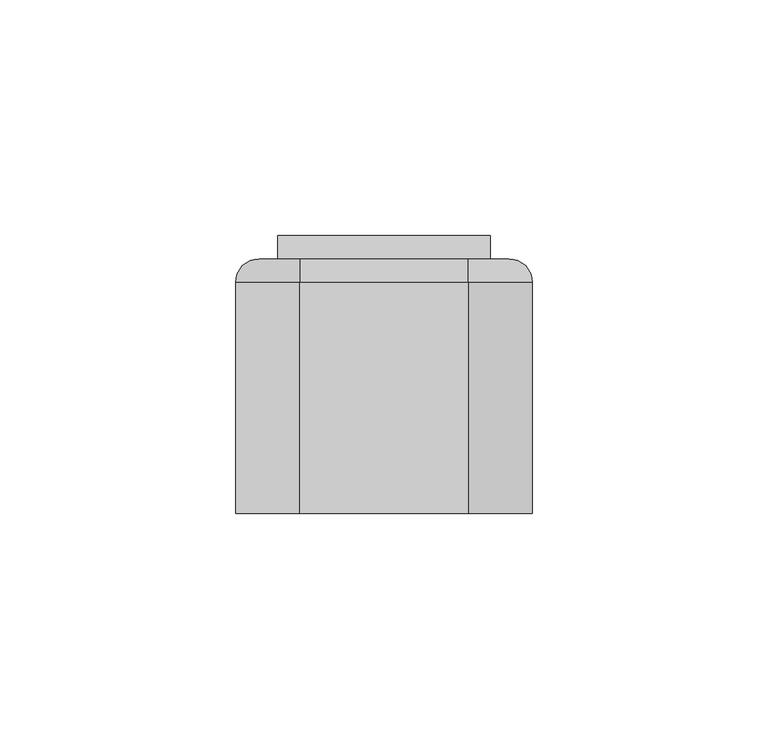
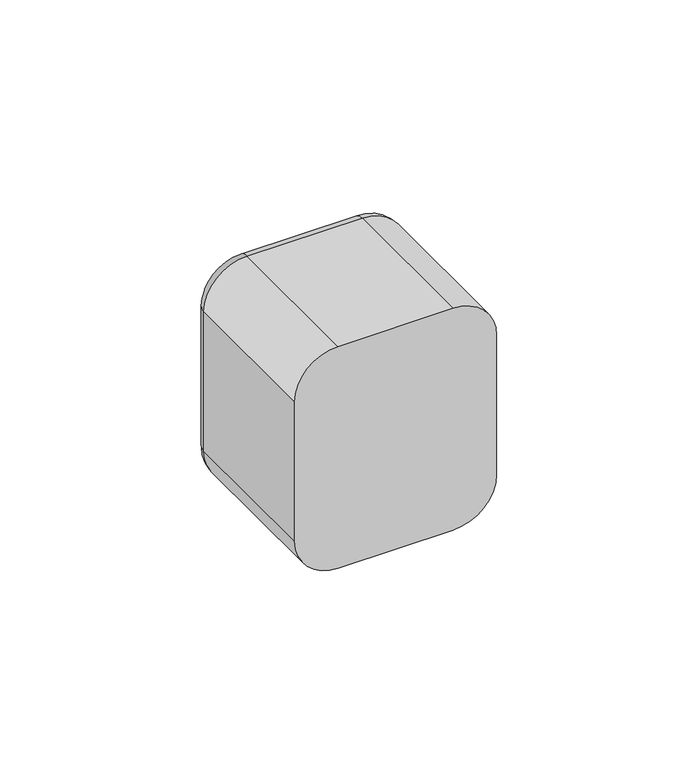
"""IFC4 building model written with IfcOpenShell, lengths in millimetres: switching device geometry."""

from ifc_helpers import new_model, si_unit, point, frame, origin, place, context, project, spatial, polyline, circle_curve, ellipse_curve, trimmed, outline, extrude, source, transform, mapped, element, save
from ifc_brep_helpers import plane_surface, cylinder_surface, revolved_surface, advanced_brep


def switching_device_f6c6d3f5(model_context):
    return source(origin(), model_context, "Body", "SolidModel", [
        advanced_brep(
        [(17.9328665, 54.0, 31.5), (26.5, 54.0, 22.9328665), (26.5, 54.0, -22.9328665), (17.9328665, 54.0, -31.5), (-17.9328665, 54.0, -31.5), (-26.5, 54.0, -22.9328665), (-26.5, 54.0, 22.9328665), (-17.9328665, 54.0, 31.5), (22.5, 54.0, 22.5), (-22.5, 54.0, 22.5), (-22.5, 54.0, -22.5), (22.5, 54.0, -22.5), (-17.9328665, 0.0, 36.5), (-31.5, 0.0, 22.9328665), (-31.5, 0.0, -22.9328665), (-17.9328665, 0.0, -36.5), (17.9328665, 0.0, -36.5), (31.5, 0.0, -22.9328665), (31.5, 0.0, 22.9328665), (17.9328665, 0.0, 36.5), (22.5, 2.0, -22.5), (22.5, 2.0, 22.5), (-22.5, 2.0, -22.5), (-22.5, 2.0, 22.5), (-31.5, 49.0, 22.9328665), (-31.5, 49.0, -22.9328665), (-17.9328665, 49.0, -36.5), (17.9328665, 49.0, -36.5), (31.5, 49.0, -22.9328665), (31.5, 49.0, 22.9328665), (17.9328665, 49.0000072, 36.5), (-17.9328665, 49.0, 36.5)],
        [
            (0, 1, circle_curve(frame((17.9328665, 54.0, 22.9328665), z_axis=(0.0, 1.0, 0.0), x_axis=(0.0, 0.0, 1.0)), 8.5671335)),
            (1, 2),
            (2, 3, circle_curve(frame((17.9328665, 54.0, -22.9328665), z_axis=(0.0, 1.0, 0.0), x_axis=(1.0, 0.0, 0.0)), 8.5671335)),
            (3, 4),
            (4, 5, circle_curve(frame((-17.9328665, 54.0, -22.9328665), z_axis=(0.0, 1.0, 0.0), x_axis=(0.0, 0.0, -1.0)), 8.5671335)),
            (5, 6),
            (6, 7, circle_curve(frame((-17.9328665, 54.0, 22.9328665), z_axis=(0.0, 1.0, 0.0), x_axis=(-1.0, 0.0, 0.0)), 8.5671335)),
            (7, 0),
            (8, 9),
            (9, 10),
            (10, 11),
            (11, 8),
            (12, 13, circle_curve(frame((-17.9328665, 0.0, 22.9328665), z_axis=(0.0, -1.0, 0.0), x_axis=(1.0, 0.0, 0.0)), 13.5671335)),
            (13, 14),
            (14, 15, circle_curve(frame((-17.9328665, 0.0, -22.9328665), z_axis=(0.0, -1.0, 0.0), x_axis=(1.0, 0.0, 0.0)), 13.5671335)),
            (15, 16),
            (16, 17, circle_curve(frame((17.9328665, 0.0, -22.9328665), z_axis=(0.0, -1.0, 0.0), x_axis=(1.0, 0.0, 0.0)), 13.5671335)),
            (17, 18),
            (18, 19, circle_curve(frame((17.9328665, 0.0, 22.9328665), z_axis=(0.0, -1.0, 0.0), x_axis=(1.0, 0.0, 0.0)), 13.5671335)),
            (19, 12),
            (11, 20),
            (20, 21),
            (21, 8),
            (10, 22),
            (22, 20),
            (9, 23),
            (23, 22),
            (21, 23),
            (13, 24),
            (24, 25),
            (25, 14),
            (15, 26),
            (26, 27),
            (27, 16),
            (17, 28),
            (28, 29),
            (29, 18),
            (19, 30),
            (30, 31),
            (31, 12),
            (31, 24, circle_curve(frame((-17.9328665, 49.0, 22.9328665), z_axis=(0.0, -1.0, 0.0), x_axis=(1.0, 0.0, 0.0)), 13.5671335)),
            (25, 26, circle_curve(frame((-17.9328665, 49.0, -22.9328665), z_axis=(0.0, -1.0, 0.0), x_axis=(1.0, 0.0, 0.0)), 13.5671335)),
            (27, 28, circle_curve(frame((17.9328665, 49.0, -22.9328665), z_axis=(0.0, -1.0, 0.0), x_axis=(1.0, 0.0, 0.0)), 13.5671335)),
            (29, 30, circle_curve(frame((17.9328665, 49.0, 22.9328665), z_axis=(0.0, -1.0, 0.0), x_axis=(1.0, 0.0, 0.0)), 13.5671335)),
            (29, 1, circle_curve(frame((26.5, 49.0, 22.9328665), z_axis=(0.0, 0.0, 1.0), x_axis=(0.0, 1.0, 0.0)), 5.0)),
            (0, 30, circle_curve(frame((17.9328665, 49.0, 31.5), z_axis=(1.0, 0.0, 0.0), x_axis=(0.0, 1.0, 0.0)), 5.0)),
            (28, 2, circle_curve(frame((26.5, 49.0, -22.9328665), z_axis=(0.0, 0.0, 1.0), x_axis=(0.0, 1.0, 0.0)), 5.0)),
            (27, 3, circle_curve(frame((17.9328665, 49.0, -31.5), z_axis=(1.0, 0.0, 0.0), x_axis=(0.0, 1.0, 0.0)), 5.0)),
            (26, 4, circle_curve(frame((-17.9328665, 49.0, -31.5), z_axis=(1.0, 0.0, 0.0), x_axis=(0.0, 1.0, 0.0)), 5.0)),
            (25, 5, circle_curve(frame((-26.5, 49.0, -22.9328665), z_axis=(0.0, 0.0, -1.0), x_axis=(0.0, 1.0, 0.0)), 5.0)),
            (24, 6, circle_curve(frame((-26.5, 49.0, 22.9328665), z_axis=(0.0, 0.0, -1.0), x_axis=(0.0, 1.0, 0.0)), 5.0)),
            (31, 7, circle_curve(frame((-17.9328665, 49.0, 31.5), z_axis=(-1.0, 0.0, 0.0), x_axis=(0.0, 1.0, 0.0)), 5.0)),
        ],
        [
            plane_surface(frame((22.5, 54.0, 6.9412233), z_axis=(0.0, 1.0, 0.0), x_axis=(0.0, 0.0, 1.0))),
            plane_surface(frame((22.5, 0.0, 6.9412233), z_axis=(0.0, -1.0, 0.0), x_axis=(0.0, 0.0, -1.0))),
            plane_surface(frame((22.5, 0.0, 22.5), z_axis=(-1.0, 0.0, 0.0), x_axis=(0.0, 1.0, 0.0))),
            plane_surface(frame((22.5, 0.0, -22.5), z_axis=(0.0, 0.0, 1.0), x_axis=(0.0, 1.0, 0.0))),
            plane_surface(frame((-22.5, 0.0, -22.5), z_axis=(1.0, 0.0, 0.0), x_axis=(0.0, 1.0, 0.0))),
            plane_surface(frame((-22.5, 0.0, 22.5), z_axis=(0.0, 0.0, -1.0), x_axis=(0.0, 1.0, 0.0))),
            plane_surface(frame((-31.5, 0.0, 22.9328665), z_axis=(-1.0, 0.0, 0.0), x_axis=(0.0, 1.0, 0.0))),
            plane_surface(frame((-17.9328665, 0.0, -36.5), z_axis=(0.0, 0.0, -1.0), x_axis=(0.0, 1.0, 0.0))),
            plane_surface(frame((31.5, 0.0, -22.9328665), z_axis=(1.0, 0.0, 0.0), x_axis=(0.0, 1.0, 0.0))),
            plane_surface(frame((17.9328665, 0.0, 36.5), z_axis=(0.0, 0.0, 1.0), x_axis=(0.0, 1.0, 0.0))),
            cylinder_surface(frame((-17.9328665, 0.0, 22.9328665), z_axis=(0.0, -1.0, 0.0), x_axis=(1.0, 0.0, 0.0)), 13.5671335),
            cylinder_surface(frame((-17.9328665, 0.0, -22.9328665), z_axis=(0.0, -1.0, 0.0), x_axis=(1.0, 0.0, 0.0)), 13.5671335),
            cylinder_surface(frame((17.9328665, 0.0, -22.9328665), z_axis=(0.0, -1.0, 0.0), x_axis=(1.0, 0.0, 0.0)), 13.5671335),
            cylinder_surface(frame((17.9328665, 0.0, 22.9328665), z_axis=(0.0, -1.0, 0.0), x_axis=(1.0, 0.0, 0.0)), 13.5671335),
            plane_surface(frame((-22.5, 2.0, 31.0), z_axis=(0.0, 1.0, 0.0), x_axis=(0.0, 0.0, 1.0))),
            revolved_surface(trimmed(ellipse_curve(frame((17.9328665, 49.0, 31.5), z_axis=(-1.0, 0.0, 0.0), x_axis=(0.0, 1.0, 0.0)), 5.0, 5.0), [point((17.9328665, 49.0, 36.5))], [point((17.9328665, 54.0, 31.5))], True, "CARTESIAN"), (17.9328665, 54.0, 22.9328665), (0.0, 1.0, 0.0)),
            cylinder_surface(frame((26.5, 49.0, 22.9328665), z_axis=(0.0, 0.0, -1.0), x_axis=(0.0, 1.0, 0.0)), 5.0),
            revolved_surface(trimmed(ellipse_curve(frame((26.5, 49.0, -22.9328665), z_axis=(0.0, 0.0, 1.0), x_axis=(0.0, 1.0, 0.0)), 5.0, 5.0), [point((31.5, 49.0, -22.9328665))], [point((26.5, 54.0, -22.9328665))], True, "CARTESIAN"), (17.9328665, 54.0, -22.9328665), (0.0, 1.0, 0.0)),
            cylinder_surface(frame((17.9328665, 49.0, -31.5), z_axis=(-1.0, 0.0, 0.0), x_axis=(0.0, 1.0, 0.0)), 5.0),
            revolved_surface(trimmed(ellipse_curve(frame((-17.9328665, 49.0, -31.5), z_axis=(1.0, 0.0, 0.0), x_axis=(0.0, 1.0, 0.0)), 5.0, 5.0), [point((-17.9328665, 49.0, -36.5))], [point((-17.9328665, 54.0, -31.5))], True, "CARTESIAN"), (-17.9328665, 54.0, -22.9328665), (0.0, 1.0, 0.0)),
            cylinder_surface(frame((-26.5, 49.0, -22.9328665), z_axis=(0.0, 0.0, 1.0), x_axis=(0.0, 1.0, 0.0)), 5.0),
            revolved_surface(trimmed(ellipse_curve(frame((-26.5, 49.0, 22.9328665), z_axis=(0.0, 0.0, -1.0), x_axis=(0.0, 1.0, 0.0)), 5.0, 5.0), [point((-31.5, 49.0, 22.9328665))], [point((-26.5, 54.0, 22.9328665))], True, "CARTESIAN"), (-17.9328665, 54.0, 22.9328665), (0.0, 1.0, 0.0)),
            cylinder_surface(frame((-17.9328665, 49.0, 31.5), z_axis=(1.0, 0.0, 0.0), x_axis=(0.0, 1.0, 0.0)), 5.0),
        ],
        [
            (0, [[1, 2, 3, 4, 5, 6, 7, 8], [9, 10, 11, 12]]),
            (1, [[13, 14, 15, 16, 17, 18, 19, 20]]),
            (2, [[-12, 21, 22, 23]]),
            (3, [[-11, 24, 25, -21]]),
            (4, [[-10, 26, 27, -24]]),
            (5, [[-9, -23, 28, -26]]),
            (6, [[-14, 29, 30, 31]]),
            (7, [[-16, 32, 33, 34]]),
            (8, [[-18, 35, 36, 37]]),
            (9, [[-20, 38, 39, 40]]),
            (10, [[-13, -40, 41, -29]]),
            (11, [[-15, -31, 42, -32]]),
            (12, [[-17, -34, 43, -35]]),
            (13, [[-19, -37, 44, -38]]),
            (14, [[-22, -25, -27, -28]]),
            (15, [[45, -1, 46, -44]]),
            (16, [[-45, -36, 47, -2]]),
            (17, [[-47, -43, 48, -3]]),
            (18, [[-48, -33, 49, -4]]),
            (19, [[-49, -42, 50, -5]]),
            (20, [[-50, -30, 51, -6]]),
            (21, [[-51, -41, 52, -7]]),
            (22, [[-46, -8, -52, -39]]),
        ],
    ),
        extrude(outline(polyline([(54.0, -22.5), (54.0, 22.5), (58.9850961, 21.9408026), (54.0, -22.5)])), frame((-22.5, 0.0, 0.0), z_axis=(1.0, 0.0, 0.0), x_axis=(0.0, 1.0, 0.0)), (0.0, 0.0, 1.0), 45.0),
        extrude(outline(polyline([(22.5, 2.0), (-22.5, 2.0), (-22.5, 46.0), (22.5, 46.0), (22.5, 2.0)])), frame((0.0, 0.0, -22.5), z_axis=(0.0, 0.0, 1.0), x_axis=(1.0, 0.0, 0.0)), (0.0, 0.0, 1.0), 45.0),
        extrude(outline(polyline([(22.5, 46.0), (-22.5, 46.0), (-22.5, 54.0), (22.5, 54.0), (22.5, 46.0)])), frame((0.0, 0.0, -22.5), z_axis=(0.0, 0.0, 1.0), x_axis=(1.0, 0.0, 0.0)), (0.0, 0.0, 1.0), 45.0),
    ])


if __name__ == "__main__":
    model = new_model("IFC4")
    model_context = context("Model", 3, world=origin())
    ifc_project = project(units=[si_unit("LENGTHUNIT", "METRE", prefix="MILLI")], contexts=[model_context])
    site = spatial("IfcSite", under=ifc_project)
    building = spatial("IfcBuilding", under=site)
    placement = place(None, origin())
    switching_device_shape = switching_device_f6c6d3f5(model_context)
    element("IfcSwitchingDevice", 1, at=placement, inside=building, context=model_context, shape_type="MappedRepresentation", body=[
        mapped(switching_device_shape, transform((0.0, 0.0, 0.0), x_axis=(1.0, 0.0, 0.0), y_axis=(0.0, 1.0, 0.0), z_axis=(0.0, 0.0, 1.0))),
    ])
    save(model, "model.ifc")
